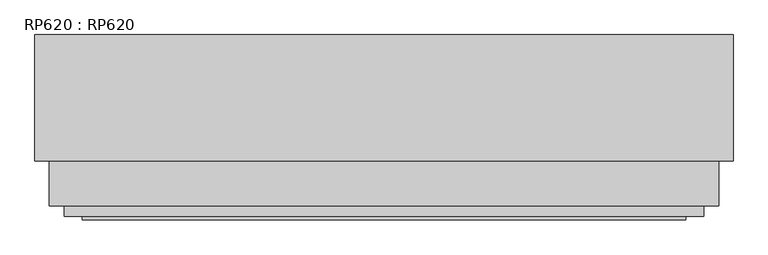
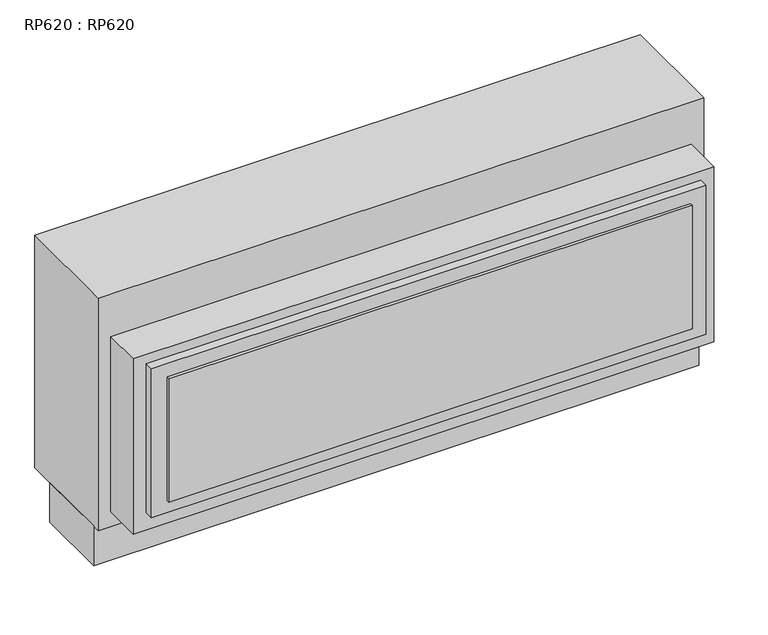
"""IFC4 building model written with IfcOpenShell, lengths in millimetres: proxy geometry, RP620 : RP620."""

from ifc_helpers import new_model, si_unit, frame, origin, origin_with_axes, place, context, project, spatial, polyline, outline, extrude, source, transform, mapped, element, save


def rp620_rp620_78aed17d(model_context):
    return source(origin(), model_context, "Body", "SweptSolid", [
        extrude(outline(polyline([(930.275, -362.2343797), (930.275, -373.4865797), (-930.275, -373.4865797), (-930.275, -362.2343797), (930.275, -362.2343797)])), frame((0.0, 0.0, 315.6965789), z_axis=(0.0, 0.0, 1.0), x_axis=(1.0, 0.0, 0.0)), (0.0, 0.0, 1.0), 463.0808229),
        extrude(outline(polyline([(984.9865291, -330.3700797), (984.9865291, -362.2343797), (-985.0628, -362.2343797), (-985.0628, -330.3700797), (984.9865291, -330.3700797)])), frame((0.0, 0.0, 268.4406018), z_axis=(0.0, 0.0, 1.0), x_axis=(1.0, 0.0, 0.0)), (0.0, 0.0, 1.0), 560.3748),
        extrude(outline(polyline([(1031.9004, -191.8384797), (1031.9004, -330.3700797), (-1031.9004, -330.3700797), (-1031.9004, -191.8384797), (1031.9004, -191.8384797)])), frame((0.0, 0.0, 204.6986), z_axis=(0.0, 0.0, 1.0), x_axis=(1.0, 0.0, 0.0)), (0.0, 0.0, 1.0), 658.241),
        extrude(outline(polyline([(1075.5375329, 105.9052976), (1075.5375329, -162.79927), (-1075.5376, -162.79927), (-1075.5376, 105.9052976), (1075.5375329, 105.9052976)])), origin_with_axes(), (0.0, 0.0, 1.0), 149.2249668),
        extrude(outline(polyline([(1075.5375329, 198.0515203), (1075.5375329, -191.8384797), (-1075.5376, -191.8384797), (-1075.5376, 198.0515203), (1075.5375329, 198.0515203)])), frame((0.0, 0.0, 149.2249668), z_axis=(0.0, 0.0, 1.0), x_axis=(1.0, 0.0, 0.0)), (0.0, 0.0, 1.0), 872.6551332),
    ])


if __name__ == "__main__":
    model = new_model("IFC4")
    model_context = context("Model", 3, world=origin())
    ifc_project = project(units=[si_unit("LENGTHUNIT", "METRE", prefix="MILLI")], contexts=[model_context])
    site = spatial("IfcSite", under=ifc_project)
    building = spatial("IfcBuilding", under=site)
    placement = place(None, origin())
    rp620_rp620_shape = rp620_rp620_78aed17d(model_context)
    element("IfcBuildingElementProxy", 1, Name="RP620 : RP620", ObjectType="RP620 : RP620", at=placement, inside=building, context=model_context, shape_type="MappedRepresentation", body=[
        mapped(rp620_rp620_shape, transform((0.0, 0.0, 0.0), x_axis=(1.0, 0.0, 0.0), y_axis=(0.0, 1.0, 0.0), z_axis=(0.0, 0.0, 1.0))),
    ])
    save(model, "model.ifc")
